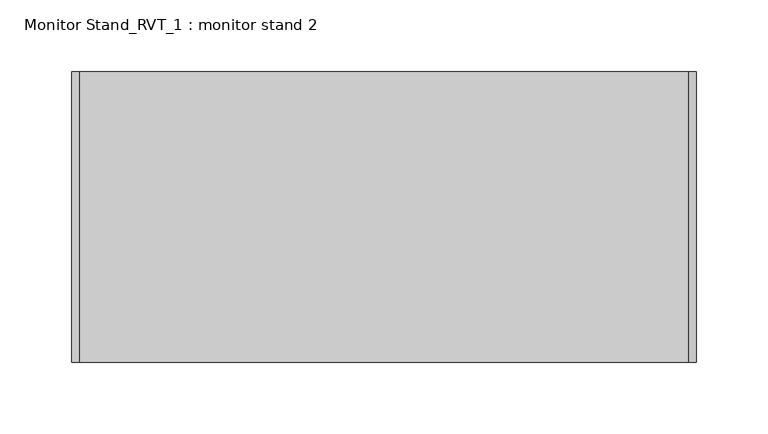
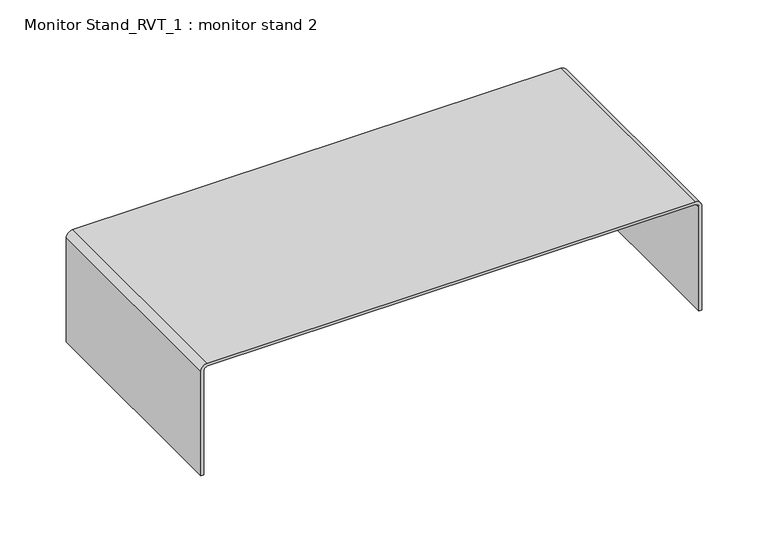
"""IFC4 building model written with IfcOpenShell, lengths in millimetres: furniture geometry, Monitor Stand_RVT_1 : monitor stand 2."""

from ifc_helpers import new_model, si_unit, point, frame, frame_2d, origin, place, context, project, spatial, polyline, circle_curve, trimmed, segment, composite_curve, outline, extrude, source, transform, mapped, element, save


def monitor_stand_rvt_1_monitor_stand_2_e0c77375(model_context):
    return source(origin(), model_context, "Body", "SweptSolid", [
        extrude(outline(composite_curve([segment(polyline([(0.0, -403.3135897), (0.0, -400.7339022), (95.758, -400.7339022)]), True, "CONTINUOUS"), segment(trimmed(circle_curve(frame_2d((95.758, -397.4715897)), 3.2623125), [point((95.758, -400.7339022))], [point((99.0203125, -397.4715897))], True, "CARTESIAN"), True, "CONTINUOUS"), segment(polyline([(99.0203125, -397.4715897), (99.0203125, 27.7244103)]), True, "CONTINUOUS"), segment(trimmed(circle_curve(frame_2d((95.758, 27.7244103)), 3.2623125), [point((99.0203125, 27.7244103))], [point((95.758, 30.9867228))], True, "CARTESIAN"), True, "CONTINUOUS"), segment(polyline([(95.758, 30.9867228), (0.0, 30.9867228), (0.0, 33.5664103), (95.758, 33.5664103)]), True, "CONTINUOUS"), segment(trimmed(circle_curve(frame_2d((95.758, 27.7244103)), 5.842), [point((95.758, 33.5664103))], [point((101.6, 27.7244103))], False, "CARTESIAN"), True, "CONTINUOUS"), segment(polyline([(101.6, 27.7244103), (101.6, -397.4715897)]), True, "CONTINUOUS"), segment(trimmed(circle_curve(frame_2d((95.758, -397.4715897)), 5.842), [point((101.6, -397.4715897))], [point((95.758, -403.3135897))], False, "CARTESIAN"), True, "CONTINUOUS"), segment(polyline([(95.758, -403.3135897), (0.0, -403.3135897)]), True, "CONTINUOUS")], self_intersect=False)), frame((0.0, -203.2, 0.0), z_axis=(0.0, 1.0, 0.0), x_axis=(0.0, 0.0, 1.0)), (0.0, 0.0, 1.0), 203.2),
    ])


if __name__ == "__main__":
    model = new_model("IFC4")
    model_context = context("Model", 3, world=origin())
    ifc_project = project(units=[si_unit("LENGTHUNIT", "METRE", prefix="MILLI")], contexts=[model_context])
    site = spatial("IfcSite", under=ifc_project)
    building = spatial("IfcBuilding", under=site)
    placement = place(None, origin())
    monitor_stand_rvt_1_monitor_stand_2_shape = monitor_stand_rvt_1_monitor_stand_2_e0c77375(model_context)
    element("IfcFurniture", 1, ObjectType="Monitor Stand_RVT_1 : monitor stand 2", at=placement, inside=building, context=model_context, shape_type="MappedRepresentation", body=[
        mapped(monitor_stand_rvt_1_monitor_stand_2_shape, transform((0.0, 0.0, 0.0), x_axis=(1.0, 0.0, 0.0), y_axis=(0.0, 1.0, 0.0), z_axis=(0.0, 0.0, 1.0))),
    ])
    save(model, "model.ifc")
